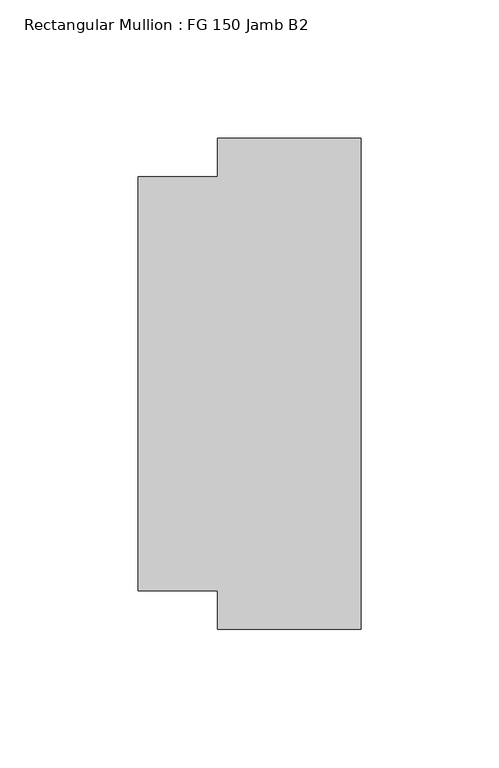
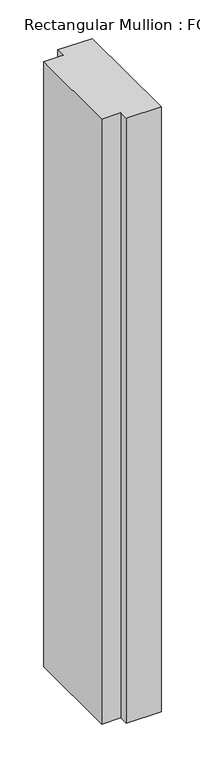
"""IFC4 building model written with IfcOpenShell, lengths in millimetres: member geometry, Rectangular Mullion : FG 150 Jamb B2."""

from ifc_helpers import new_model, si_unit, frame, origin, place, context, project, spatial, polyline, outline, extrude, source, transform, mapped, element, save


def rectangular_mullion_fg_150_jamb_b2_90ef6df1(model_context):
    return source(origin(), model_context, "Body", "SweptSolid", [
        extrude(outline(polyline([(0.0, -89.0053119), (-52.0, -89.0053119), (-52.0, -75.0), (-80.9079314, -75.0), (-80.9079314, 75.0001604), (-52.0, 75.0001604), (-52.0, 89.0001604), (0.0, 89.0001604), (0.0, -89.0053119)])), frame((0.0, 0.0, -959.0045338), z_axis=(0.0, 0.0, 1.0), x_axis=(1.0, 0.0, 0.0)), (0.0, 0.0, 1.0), 959.0045338),
    ])


if __name__ == "__main__":
    model = new_model("IFC4")
    model_context = context("Model", 3, world=origin())
    ifc_project = project(units=[si_unit("LENGTHUNIT", "METRE", prefix="MILLI")], contexts=[model_context])
    site = spatial("IfcSite", under=ifc_project)
    building = spatial("IfcBuilding", under=site)
    placement = place(None, origin())
    rectangular_mullion_fg_150_jamb_b2_shape = rectangular_mullion_fg_150_jamb_b2_90ef6df1(model_context)
    element("IfcMember", 1, ObjectType="Rectangular Mullion : FG 150 Jamb B2", at=placement, inside=building, context=model_context, shape_type="MappedRepresentation", body=[
        mapped(rectangular_mullion_fg_150_jamb_b2_shape, transform((0.0, 0.0, 0.0), x_axis=(1.0, 0.0, 0.0), y_axis=(0.0, 1.0, 0.0), z_axis=(0.0, 0.0, 1.0))),
    ])
    save(model, "model.ifc")
